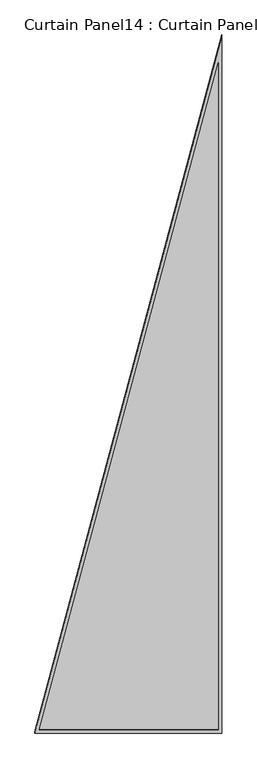
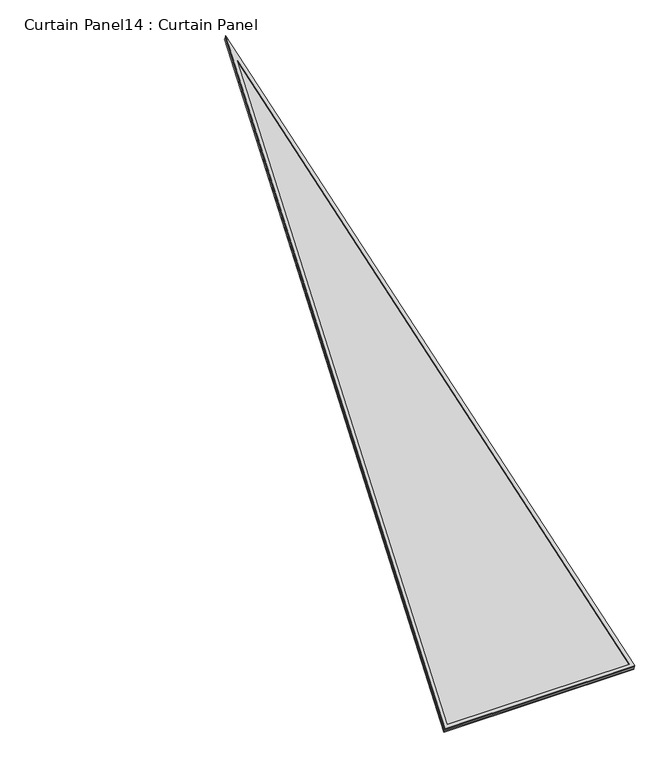
"""IFC4 building model written with IfcOpenShell, lengths in millimetres: plate geometry, Curtain Panel14 : Curtain Panel."""

import ifcopenshell
import ifcopenshell.guid

model = None  # the IFC model being written
_history = None  # IfcOwnerHistory: only IFC2X3 demands one
_inside = {}  # id of a spatial element -> (the spatial element, [elements in it])
_under = {}  # id of a project, library or spatial element -> (it, [spatial elements below it])
_declared = {}  # id of a project -> (the project, [libraries it declares])
_typed = {}  # id of a type object -> (the type object, [elements of that type])
_made_of = {}  # id of a material, layer set ... -> (it, [elements and type objects made of it])


def new_model(schema):
    """Start an empty IFC model of exactly this schema.

    Asked for "IFC4X3", IfcOpenShell would pick the latest addendum, in which some entities
    have other attributes; the version numbers below select the first issue.
    IFC2X3 requires an IfcOwnerHistory on every rooted entity: one is made here for all.
    """
    global model, _history
    if schema == "IFC4X3":
        model = ifcopenshell.file(schema_version=(4, 3, 0, 0))
    else:
        model = ifcopenshell.file(schema=schema)
    _inside.clear()
    _under.clear()
    _declared.clear()
    _typed.clear()
    _made_of.clear()
    _history = None
    if model.schema == "IFC2X3":
        org = make("IfcOrganization", Name="unknown")
        user = make(
            "IfcPersonAndOrganization",
            ThePerson=make("IfcPerson", FamilyName="unknown"),
            TheOrganization=org,
        )
        app = make(
            "IfcApplication",
            ApplicationDeveloper=org,
            Version="unknown",
            ApplicationFullName="unknown",
            ApplicationIdentifier="unknown",
        )
        _history = make(
            "IfcOwnerHistory",
            OwningUser=user,
            OwningApplication=app,
            ChangeAction="ADDED",
            CreationDate=0,
        )
    return model


def make(cls, **values):
    """One entity of the class cls with the attributes given. An attribute that is None is left unset."""
    return model.create_entity(
        cls, **{name: value for name, value in values.items() if value is not None}
    )


def rooted(cls, **values):
    """An entity with a GlobalId (a new one), such as an element, a storey or a relation."""
    return make(cls, GlobalId=ifcopenshell.guid.new(), OwnerHistory=_history, **values)


def si_unit(unit_type, name, prefix=None):
    """IfcSIUnit, for example si_unit("LENGTHUNIT", "METRE", prefix="MILLI")."""
    return make("IfcSIUnit", UnitType=unit_type, Prefix=prefix, Name=name)


def assignment(units):
    """IfcUnitAssignment: the units of a project."""
    return None if units is None else make("IfcUnitAssignment", Units=units)


def point(xyz):
    """IfcCartesianPoint."""
    return None if xyz is None else make("IfcCartesianPoint", Coordinates=xyz)


def direction(xyz):
    """IfcDirection."""
    return None if xyz is None else make("IfcDirection", DirectionRatios=xyz)


def frame(location, z_axis=None, x_axis=None):
    """IfcAxis2Placement3D, a coordinate frame: its origin and axes. An axis left out is left unset."""
    return make(
        "IfcAxis2Placement3D",
        Location=point(location),
        Axis=direction(z_axis),
        RefDirection=direction(x_axis),
    )


def origin():
    """The frame at (0, 0, 0) with its axes left unset."""
    return frame((0.0, 0.0, 0.0))


def place(relative_to, where):
    """IfcLocalPlacement: puts the frame where relative to a parent placement (None: the world)."""
    return make(
        "IfcLocalPlacement", PlacementRelTo=relative_to, RelativePlacement=where
    )


def context(
    kind, dimensions, precision=None, world=None, true_north=None, identifier=None
):
    """IfcGeometricRepresentationContext, for example the 3D "Model" context."""
    return make(
        "IfcGeometricRepresentationContext",
        ContextIdentifier=identifier,
        ContextType=kind,
        CoordinateSpaceDimension=dimensions,
        Precision=precision,
        WorldCoordinateSystem=world,
        TrueNorth=true_north,
    )


def project(units=None, contexts=None):
    """IfcProject with its units and contexts."""
    return rooted(
        "IfcProject",
        Name="project",
        RepresentationContexts=contexts,
        UnitsInContext=assignment(units),
    )


def spatial(cls, under=None, at=None, **own):
    """A site, building, storey or space (cls), placed at a placement, below another one or the project."""
    s = rooted(cls, ObjectPlacement=at, **own)
    if under is not None:
        _under.setdefault(under.id(), (under, []))[1].append(s)
    return s


def polyline(points):
    """IfcPolyline through the points."""
    return make("IfcPolyline", Points=[point(p) for p in points])


def outline(outer, holes=None, kind="AREA"):
    """IfcArbitraryClosedProfileDef: a profile drawn as a closed curve; with holes, ...WithVoids."""
    if holes is None:
        return make("IfcArbitraryClosedProfileDef", ProfileType=kind, OuterCurve=outer)
    return make(
        "IfcArbitraryProfileDefWithVoids",
        ProfileType=kind,
        OuterCurve=outer,
        InnerCurves=holes,
    )


def extrude(swept, where, along, depth):
    """IfcExtrudedAreaSolid: the profile swept, set in the frame where, extruded along a direction by depth."""
    return make(
        "IfcExtrudedAreaSolid",
        SweptArea=swept,
        Position=where,
        ExtrudedDirection=direction(along),
        Depth=depth,
    )


def shape(context_of_items, identifier, shape_type, items):
    """IfcShapeRepresentation: the items that make up one representation, for example the "Body"."""
    return make(
        "IfcShapeRepresentation",
        ContextOfItems=context_of_items,
        RepresentationIdentifier=identifier,
        RepresentationType=shape_type,
        Items=items,
    )


def source(mapping_origin, context_of_items, identifier, shape_type, items):
    """IfcRepresentationMap: a shape defined once, which mapped items show again and again."""
    return make(
        "IfcRepresentationMap",
        MappingOrigin=mapping_origin,
        MappedRepresentation=shape(context_of_items, identifier, shape_type, items),
    )


def transform(
    local_origin,
    x_axis=None,
    y_axis=None,
    z_axis=None,
    scale=None,
    scale2=None,
    scale3=None,
    uniform=True,
):
    """IfcCartesianTransformationOperator3D, or its non-uniform kind. x_axis, y_axis, z_axis: its Axis1, 2, 3."""
    if uniform:
        return make(
            "IfcCartesianTransformationOperator3D",
            Axis1=direction(x_axis),
            Axis2=direction(y_axis),
            LocalOrigin=point(local_origin),
            Scale=scale,
            Axis3=direction(z_axis),
        )
    return make(
        "IfcCartesianTransformationOperator3DnonUniform",
        Axis1=direction(x_axis),
        Axis2=direction(y_axis),
        LocalOrigin=point(local_origin),
        Scale=scale,
        Axis3=direction(z_axis),
        Scale2=scale2,
        Scale3=scale3,
    )


def mapped(mapping_source, mapping_target):
    """IfcMappedItem: shows the shape of a source again, moved by a transform."""
    return make(
        "IfcMappedItem", MappingSource=mapping_source, MappingTarget=mapping_target
    )


def made_of(thing, what):
    """Note that an element or type object is made of a material, layer set ...; save() writes the relation."""
    if what is not None:
        _made_of.setdefault(what.id(), (what, []))[1].append(thing)
    return thing


def element(
    cls,
    number,
    at=None,
    inside=None,
    cuts=None,
    type_object=None,
    material=None,
    context=None,
    identifier="Body",
    shape_type=None,
    held_by="IfcProductDefinitionShape",
    body=None,
    shapes=None,
    **own,
):
    """One element of the class cls, such as IfcWall. Its Tag is "e" and its number.

    at: its placement. inside: the storey or other place that contains it. cuts: it is an
    opening in that element (IfcRelVoidsElement). A single representation is given by context,
    identifier, shape_type and body (its items); several are given by shapes. held_by: the class
    of the entity that holds the representations. save() writes the other relations.
    """
    e = rooted(cls, Tag="e%d" % number, ObjectPlacement=at, **own)
    if body is not None:
        shapes = [shape(context, identifier, shape_type, body)]
    if shapes is not None:
        e.Representation = make(held_by, Representations=shapes)
    if inside is not None:
        _inside.setdefault(inside.id(), (inside, []))[1].append(e)
    if cuts is not None:
        rooted(
            "IfcRelVoidsElement", RelatingBuildingElement=cuts, RelatedOpeningElement=e
        )
    if type_object is not None:
        _typed.setdefault(type_object.id(), (type_object, []))[1].append(e)
    return made_of(e, material)


def aggregate(whole, parts):
    """IfcRelAggregates: a whole, such as a stair, and the parts it consists of."""
    return rooted("IfcRelAggregates", RelatingObject=whole, RelatedObjects=parts)


def save(model, path):
    """Write the relations noted so far, then the file.

    IfcRelAggregates (storeys below a building ...), IfcRelContainedInSpatialStructure (elements
    in a storey), IfcRelDefinesByType, IfcRelAssociatesMaterial and IfcRelDeclares: one each for
    every whole, place, type object, material and project.
    """
    for whole, parts in _under.values():
        aggregate(whole, parts)
    for where, things in _inside.values():
        rooted(
            "IfcRelContainedInSpatialStructure",
            RelatedElements=things,
            RelatingStructure=where,
        )
    for kind, things in _typed.values():
        rooted("IfcRelDefinesByType", RelatedObjects=things, RelatingType=kind)
    for what, things in _made_of.values():
        rooted("IfcRelAssociatesMaterial", RelatedObjects=things, RelatingMaterial=what)
    for by, libraries in _declared.values():
        rooted("IfcRelDeclares", RelatingContext=by, RelatedDefinitions=libraries)
    model.write(path)


def curtain_panel14_curtain_panel_dd61bb52(model_context):
    return source(origin(), model_context, "Body", "SweptSolid", [
        extrude(outline(polyline([(895.7410424, 0.0), (0.0, -3523.6784029), (0.0, 0.0), (895.7410424, 0.0)]), holes=[polyline([(874.4484138, -16.5571139), (16.5571139, -16.5571139), (16.5571139, -3391.3416807), (874.4484138, -16.5571139)])]), frame((11413.7439514, -5318.770857, 898.7677271), z_axis=(0.0, -0.316145823973828, 0.9487106081329066), x_axis=(-1.0, 0.0, 0.0)), (0.0, 0.0, 1.0), 4.7763822),
        extrude(outline(polyline([(895.7410424, 0.0), (0.0, -3523.6784029), (0.0, 0.0), (895.7410424, 0.0)]), holes=[polyline([(882.5041457, -10.2929897), (10.2929897, -10.2929897), (10.2929897, -3441.4092028), (882.5041457, -10.2929897)])]), frame((11413.7439514, -5313.1846843, 882.004383), z_axis=(0.0, -0.3161458239738058, 0.948710608132914), x_axis=(-1.0, 0.0, 0.0)), (0.0, 0.0, 1.0), 4.7436262),
        extrude(outline(polyline([(28.1660521, 0.0), (924.1034075, 0.0), (28.1660521, -3524.4506618), (28.1660521, 0.0)])), frame((11441.9958793, -5314.7658332, 886.4775622), z_axis=(0.0, -0.3161458239738058, 0.948710608132914), x_axis=(-1.0, 0.0, 0.0)), (0.0, 0.0, 1.0), 12.9259813),
    ])


if __name__ == "__main__":
    model = new_model("IFC4")
    model_context = context("Model", 3, world=origin())
    ifc_project = project(units=[si_unit("LENGTHUNIT", "METRE", prefix="MILLI")], contexts=[model_context])
    site = spatial("IfcSite", under=ifc_project)
    building = spatial("IfcBuilding", under=site)
    placement = place(None, origin())
    curtain_panel14_curtain_panel_shape = curtain_panel14_curtain_panel_dd61bb52(model_context)
    element("IfcPlate", 1, ObjectType="Curtain Panel14 : Curtain Panel", at=placement, inside=building, context=model_context, shape_type="MappedRepresentation", body=[
        mapped(curtain_panel14_curtain_panel_shape, transform((0.0, 0.0, 0.0), x_axis=(1.0, 0.0, 0.0), y_axis=(0.0, 1.0, 0.0), z_axis=(0.0, 0.0, 1.0))),
    ])
    save(model, "model.ifc")
